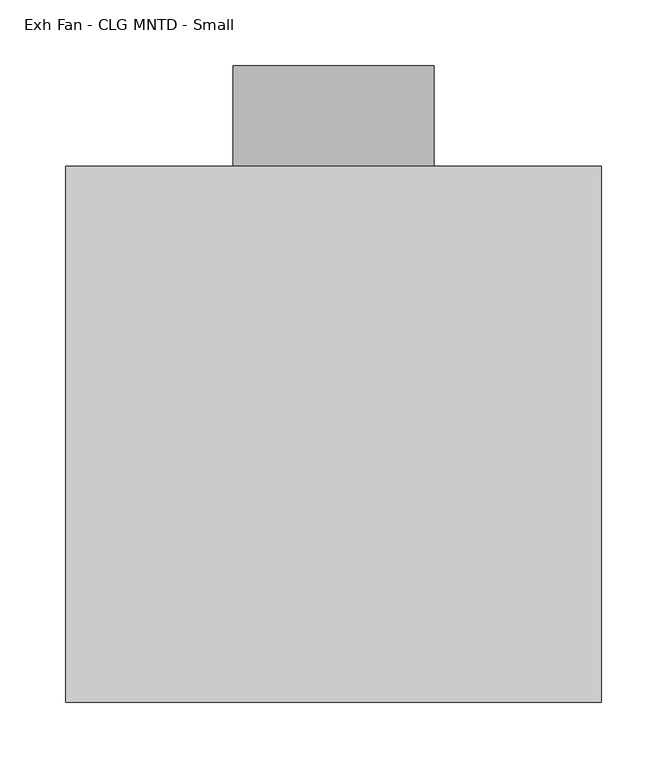
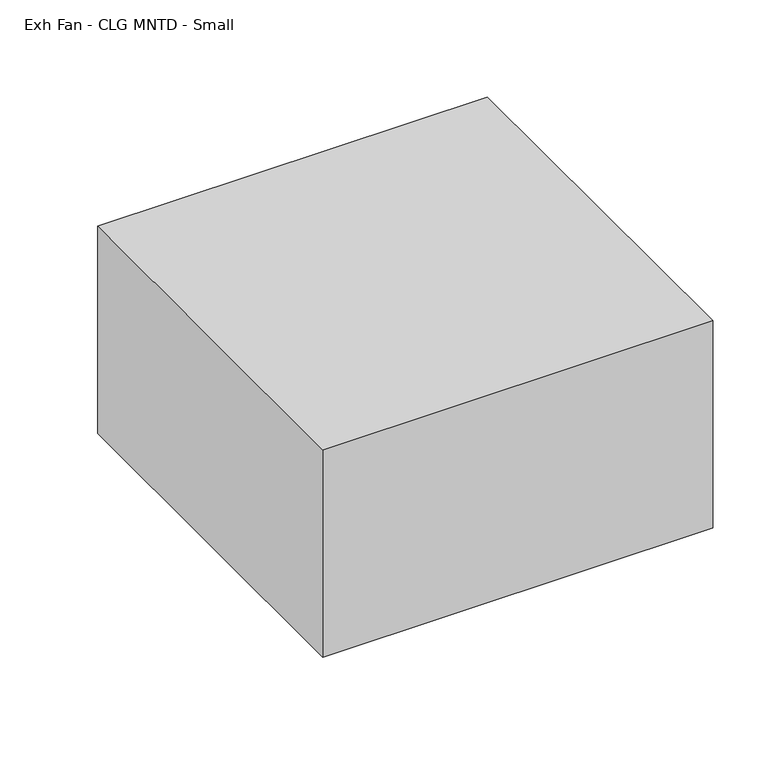
"""IFC4 building model written with IfcOpenShell, lengths in millimetres: proxy geometry, Exh Fan - CLG MNTD - Small."""

import ifcopenshell
import ifcopenshell.guid

model = None  # the IFC model being written
_history = None  # IfcOwnerHistory: only IFC2X3 demands one
_inside = {}  # id of a spatial element -> (the spatial element, [elements in it])
_under = {}  # id of a project, library or spatial element -> (it, [spatial elements below it])
_declared = {}  # id of a project -> (the project, [libraries it declares])
_typed = {}  # id of a type object -> (the type object, [elements of that type])
_made_of = {}  # id of a material, layer set ... -> (it, [elements and type objects made of it])


def new_model(schema):
    """Start an empty IFC model of exactly this schema.

    Asked for "IFC4X3", IfcOpenShell would pick the latest addendum, in which some entities
    have other attributes; the version numbers below select the first issue.
    IFC2X3 requires an IfcOwnerHistory on every rooted entity: one is made here for all.
    """
    global model, _history
    if schema == "IFC4X3":
        model = ifcopenshell.file(schema_version=(4, 3, 0, 0))
    else:
        model = ifcopenshell.file(schema=schema)
    _inside.clear()
    _under.clear()
    _declared.clear()
    _typed.clear()
    _made_of.clear()
    _history = None
    if model.schema == "IFC2X3":
        org = make("IfcOrganization", Name="unknown")
        user = make(
            "IfcPersonAndOrganization",
            ThePerson=make("IfcPerson", FamilyName="unknown"),
            TheOrganization=org,
        )
        app = make(
            "IfcApplication",
            ApplicationDeveloper=org,
            Version="unknown",
            ApplicationFullName="unknown",
            ApplicationIdentifier="unknown",
        )
        _history = make(
            "IfcOwnerHistory",
            OwningUser=user,
            OwningApplication=app,
            ChangeAction="ADDED",
            CreationDate=0,
        )
    return model


def make(cls, **values):
    """One entity of the class cls with the attributes given. An attribute that is None is left unset."""
    return model.create_entity(
        cls, **{name: value for name, value in values.items() if value is not None}
    )


def rooted(cls, **values):
    """An entity with a GlobalId (a new one), such as an element, a storey or a relation."""
    return make(cls, GlobalId=ifcopenshell.guid.new(), OwnerHistory=_history, **values)


def si_unit(unit_type, name, prefix=None):
    """IfcSIUnit, for example si_unit("LENGTHUNIT", "METRE", prefix="MILLI")."""
    return make("IfcSIUnit", UnitType=unit_type, Prefix=prefix, Name=name)


def assignment(units):
    """IfcUnitAssignment: the units of a project."""
    return None if units is None else make("IfcUnitAssignment", Units=units)


def point(xyz):
    """IfcCartesianPoint."""
    return None if xyz is None else make("IfcCartesianPoint", Coordinates=xyz)


def direction(xyz):
    """IfcDirection."""
    return None if xyz is None else make("IfcDirection", DirectionRatios=xyz)


def frame(location, z_axis=None, x_axis=None):
    """IfcAxis2Placement3D, a coordinate frame: its origin and axes. An axis left out is left unset."""
    return make(
        "IfcAxis2Placement3D",
        Location=point(location),
        Axis=direction(z_axis),
        RefDirection=direction(x_axis),
    )


def frame_2d(location, x_axis=None):
    """IfcAxis2Placement2D, a coordinate frame in the plane: its origin and x axis."""
    return make(
        "IfcAxis2Placement2D", Location=point(location), RefDirection=direction(x_axis)
    )


def origin():
    """The frame at (0, 0, 0) with its axes left unset."""
    return frame((0.0, 0.0, 0.0))


def place(relative_to, where):
    """IfcLocalPlacement: puts the frame where relative to a parent placement (None: the world)."""
    return make(
        "IfcLocalPlacement", PlacementRelTo=relative_to, RelativePlacement=where
    )


def context(
    kind, dimensions, precision=None, world=None, true_north=None, identifier=None
):
    """IfcGeometricRepresentationContext, for example the 3D "Model" context."""
    return make(
        "IfcGeometricRepresentationContext",
        ContextIdentifier=identifier,
        ContextType=kind,
        CoordinateSpaceDimension=dimensions,
        Precision=precision,
        WorldCoordinateSystem=world,
        TrueNorth=true_north,
    )


def project(units=None, contexts=None):
    """IfcProject with its units and contexts."""
    return rooted(
        "IfcProject",
        Name="project",
        RepresentationContexts=contexts,
        UnitsInContext=assignment(units),
    )


def spatial(cls, under=None, at=None, **own):
    """A site, building, storey or space (cls), placed at a placement, below another one or the project."""
    s = rooted(cls, ObjectPlacement=at, **own)
    if under is not None:
        _under.setdefault(under.id(), (under, []))[1].append(s)
    return s


def polyline(points):
    """IfcPolyline through the points."""
    return make("IfcPolyline", Points=[point(p) for p in points])


def circle_curve(where, radius):
    """IfcCircle in the frame where."""
    return make("IfcCircle", Position=where, Radius=radius)


def trimmed(basis, trim1, trim2, sense, master):
    """IfcTrimmedCurve: the piece of a basis curve between two trims."""
    return make(
        "IfcTrimmedCurve",
        BasisCurve=basis,
        Trim1=trim1,
        Trim2=trim2,
        SenseAgreement=sense,
        MasterRepresentation=master,
    )


def segment(curve, same_sense, transition):
    """IfcCompositeCurveSegment."""
    return make(
        "IfcCompositeCurveSegment",
        Transition=transition,
        SameSense=same_sense,
        ParentCurve=curve,
    )


def composite_curve(segments, self_intersect=None):
    """IfcCompositeCurve: segments joined end to end."""
    return make("IfcCompositeCurve", Segments=segments, SelfIntersect=self_intersect)


def outline(outer, holes=None, kind="AREA"):
    """IfcArbitraryClosedProfileDef: a profile drawn as a closed curve; with holes, ...WithVoids."""
    if holes is None:
        return make("IfcArbitraryClosedProfileDef", ProfileType=kind, OuterCurve=outer)
    return make(
        "IfcArbitraryProfileDefWithVoids",
        ProfileType=kind,
        OuterCurve=outer,
        InnerCurves=holes,
    )


def extrude(swept, where, along, depth):
    """IfcExtrudedAreaSolid: the profile swept, set in the frame where, extruded along a direction by depth."""
    return make(
        "IfcExtrudedAreaSolid",
        SweptArea=swept,
        Position=where,
        ExtrudedDirection=direction(along),
        Depth=depth,
    )


def shape(context_of_items, identifier, shape_type, items):
    """IfcShapeRepresentation: the items that make up one representation, for example the "Body"."""
    return make(
        "IfcShapeRepresentation",
        ContextOfItems=context_of_items,
        RepresentationIdentifier=identifier,
        RepresentationType=shape_type,
        Items=items,
    )


def source(mapping_origin, context_of_items, identifier, shape_type, items):
    """IfcRepresentationMap: a shape defined once, which mapped items show again and again."""
    return make(
        "IfcRepresentationMap",
        MappingOrigin=mapping_origin,
        MappedRepresentation=shape(context_of_items, identifier, shape_type, items),
    )


def transform(
    local_origin,
    x_axis=None,
    y_axis=None,
    z_axis=None,
    scale=None,
    scale2=None,
    scale3=None,
    uniform=True,
):
    """IfcCartesianTransformationOperator3D, or its non-uniform kind. x_axis, y_axis, z_axis: its Axis1, 2, 3."""
    if uniform:
        return make(
            "IfcCartesianTransformationOperator3D",
            Axis1=direction(x_axis),
            Axis2=direction(y_axis),
            LocalOrigin=point(local_origin),
            Scale=scale,
            Axis3=direction(z_axis),
        )
    return make(
        "IfcCartesianTransformationOperator3DnonUniform",
        Axis1=direction(x_axis),
        Axis2=direction(y_axis),
        LocalOrigin=point(local_origin),
        Scale=scale,
        Axis3=direction(z_axis),
        Scale2=scale2,
        Scale3=scale3,
    )


def mapped(mapping_source, mapping_target):
    """IfcMappedItem: shows the shape of a source again, moved by a transform."""
    return make(
        "IfcMappedItem", MappingSource=mapping_source, MappingTarget=mapping_target
    )


def made_of(thing, what):
    """Note that an element or type object is made of a material, layer set ...; save() writes the relation."""
    if what is not None:
        _made_of.setdefault(what.id(), (what, []))[1].append(thing)
    return thing


def element(
    cls,
    number,
    at=None,
    inside=None,
    cuts=None,
    type_object=None,
    material=None,
    context=None,
    identifier="Body",
    shape_type=None,
    held_by="IfcProductDefinitionShape",
    body=None,
    shapes=None,
    **own,
):
    """One element of the class cls, such as IfcWall. Its Tag is "e" and its number.

    at: its placement. inside: the storey or other place that contains it. cuts: it is an
    opening in that element (IfcRelVoidsElement). A single representation is given by context,
    identifier, shape_type and body (its items); several are given by shapes. held_by: the class
    of the entity that holds the representations. save() writes the other relations.
    """
    e = rooted(cls, Tag="e%d" % number, ObjectPlacement=at, **own)
    if body is not None:
        shapes = [shape(context, identifier, shape_type, body)]
    if shapes is not None:
        e.Representation = make(held_by, Representations=shapes)
    if inside is not None:
        _inside.setdefault(inside.id(), (inside, []))[1].append(e)
    if cuts is not None:
        rooted(
            "IfcRelVoidsElement", RelatingBuildingElement=cuts, RelatedOpeningElement=e
        )
    if type_object is not None:
        _typed.setdefault(type_object.id(), (type_object, []))[1].append(e)
    return made_of(e, material)


def aggregate(whole, parts):
    """IfcRelAggregates: a whole, such as a stair, and the parts it consists of."""
    return rooted("IfcRelAggregates", RelatingObject=whole, RelatedObjects=parts)


def save(model, path):
    """Write the relations noted so far, then the file.

    IfcRelAggregates (storeys below a building ...), IfcRelContainedInSpatialStructure (elements
    in a storey), IfcRelDefinesByType, IfcRelAssociatesMaterial and IfcRelDeclares: one each for
    every whole, place, type object, material and project.
    """
    for whole, parts in _under.values():
        aggregate(whole, parts)
    for where, things in _inside.values():
        rooted(
            "IfcRelContainedInSpatialStructure",
            RelatedElements=things,
            RelatingStructure=where,
        )
    for kind, things in _typed.values():
        rooted("IfcRelDefinesByType", RelatedObjects=things, RelatingType=kind)
    for what, things in _made_of.values():
        rooted("IfcRelAssociatesMaterial", RelatedObjects=things, RelatingMaterial=what)
    for by, libraries in _declared.values():
        rooted("IfcRelDeclares", RelatingContext=by, RelatedDefinitions=libraries)
    model.write(path)


def exh_fan_clg_mntd_small_216e339c(model_context):
    return source(origin(), model_context, "Body", "SweptSolid", [
        extrude(outline(composite_curve([segment(trimmed(circle_curve(frame_2d((-203.2, 203.2)), 76.2), [point((-203.2, 279.4))], [point((-203.2, 127.0))], False, "CARTESIAN"), True, "CONTINUOUS"), segment(trimmed(circle_curve(frame_2d((-203.2, 203.2)), 76.2), [point((-203.2, 127.0))], [point((-203.2, 279.4))], False, "CARTESIAN"), True, "CONTINUOUS")], self_intersect=False)), frame((0.0, 406.4, 0.0), z_axis=(0.0, 1.0, 0.0), x_axis=(0.0, 0.0, 1.0)), (0.0, 0.0, 1.0), 76.2),
        extrude(outline(polyline([(406.4, 0.0), (0.0, 0.0), (0.0, 406.4), (406.4, 406.4), (406.4, 0.0)])), frame((0.0, 0.0, -228.6), z_axis=(0.0, 0.0, 1.0), x_axis=(1.0, 0.0, 0.0)), (0.0, 0.0, 1.0), 228.6),
    ])


if __name__ == "__main__":
    model = new_model("IFC4")
    model_context = context("Model", 3, world=origin())
    ifc_project = project(units=[si_unit("LENGTHUNIT", "METRE", prefix="MILLI")], contexts=[model_context])
    site = spatial("IfcSite", under=ifc_project)
    building = spatial("IfcBuilding", under=site)
    placement = place(None, origin())
    exh_fan_clg_mntd_small_shape = exh_fan_clg_mntd_small_216e339c(model_context)
    element("IfcBuildingElementProxy", 1, Name="Exh Fan - CLG MNTD - Small", ObjectType="Exh Fan - CLG MNTD - Small", at=placement, inside=building, context=model_context, shape_type="MappedRepresentation", body=[
        mapped(exh_fan_clg_mntd_small_shape, transform((0.0, 0.0, 0.0), x_axis=(1.0, 0.0, 0.0), y_axis=(0.0, 1.0, 0.0), z_axis=(0.0, 0.0, 1.0))),
    ])
    save(model, "model.ifc")
